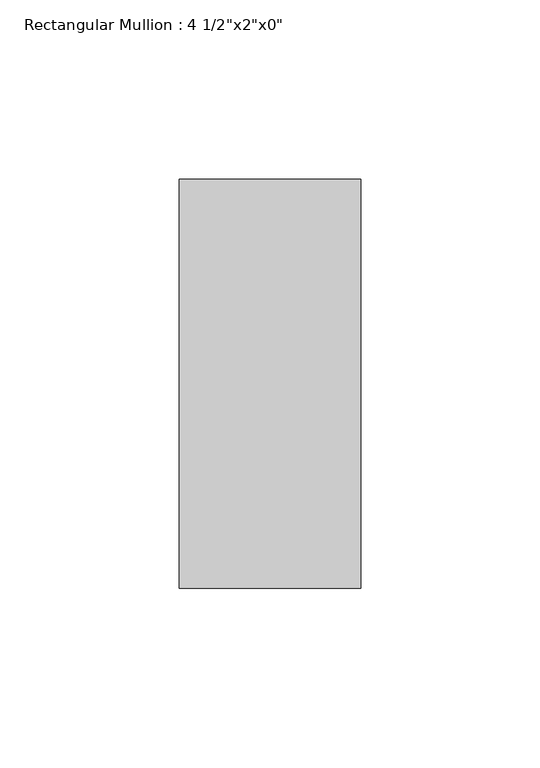
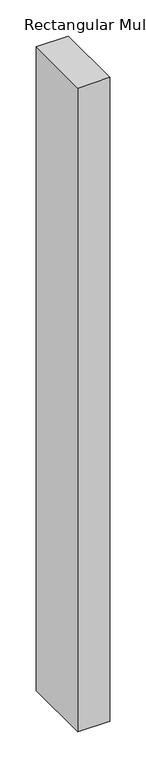
"""IFC4 building model written with IfcOpenShell, lengths in millimetres: member geometry."""

from ifc_helpers import new_model, si_unit, frame, origin, place, context, project, spatial, polyline, outline, extrude, source, transform, mapped, element, save


def member_b0f20ee0(model_context):
    return source(origin(), model_context, "Body", "SweptSolid", [
        extrude(outline(polyline([(0.0, 57.15), (0.0, -57.15), (-50.8, -57.15), (-50.8, 57.15), (0.0, 57.15)])), frame((0.0, 0.0, -1082.711813), z_axis=(0.0, 0.0, 1.0), x_axis=(1.0, 0.0, 0.0)), (0.0, 0.0, 1.0), 1082.711813),
    ])


if __name__ == "__main__":
    model = new_model("IFC4")
    model_context = context("Model", 3, world=origin())
    ifc_project = project(units=[si_unit("LENGTHUNIT", "METRE", prefix="MILLI")], contexts=[model_context])
    site = spatial("IfcSite", under=ifc_project)
    building = spatial("IfcBuilding", under=site)
    placement = place(None, origin())
    member_shape = member_b0f20ee0(model_context)
    element("IfcMember", 1, ObjectType="Rectangular Mullion : 4 1/2\"x2\"x0\"", at=placement, inside=building, context=model_context, shape_type="MappedRepresentation", body=[
        mapped(member_shape, transform((0.0, 0.0, 0.0), x_axis=(1.0, 0.0, 0.0), y_axis=(0.0, 1.0, 0.0), z_axis=(0.0, 0.0, 1.0))),
    ])
    save(model, "model.ifc")
